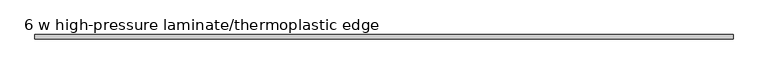
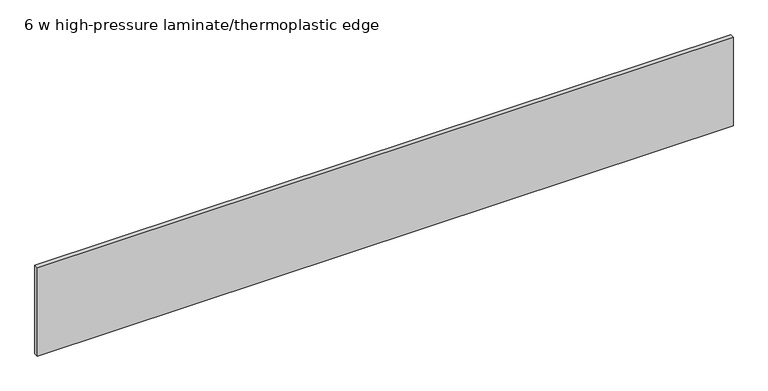
"""IFC4 building model written with IfcOpenShell, lengths in millimetres: furniture geometry, 6 w high-pressure laminate/thermoplastic edge."""

from ifc_helpers import new_model, si_unit, origin, origin_with_axes, place, context, project, spatial, polyline, outline, extrude, source, transform, mapped, element, save


def furniture_6_w_high_pressure_laminate_thermoplastic_edge_d726e724(model_context):
    return source(origin(), model_context, "Body", "SweptSolid", [
        extrude(outline(polyline([(0.5999988, 0.0), (0.5999988, 10.9999997), (1828.2000366, 10.9999997), (1828.2000366, 0.0), (0.5999988, 0.0)])), origin_with_axes(), (0.0, 0.0, 1.0), 245.349995),
    ])


if __name__ == "__main__":
    model = new_model("IFC4")
    model_context = context("Model", 3, world=origin())
    ifc_project = project(units=[si_unit("LENGTHUNIT", "METRE", prefix="MILLI")], contexts=[model_context])
    site = spatial("IfcSite", under=ifc_project)
    building = spatial("IfcBuilding", under=site)
    placement = place(None, origin())
    furniture_6_w_high_pressure_laminate_thermoplastic_edge_shape = furniture_6_w_high_pressure_laminate_thermoplastic_edge_d726e724(model_context)
    element("IfcFurniture", 1, ObjectType="6 w high-pressure laminate/thermoplastic edge", at=placement, inside=building, context=model_context, shape_type="MappedRepresentation", body=[
        mapped(furniture_6_w_high_pressure_laminate_thermoplastic_edge_shape, transform((0.0, 0.0, 0.0), x_axis=(1.0, 0.0, 0.0), y_axis=(0.0, 1.0, 0.0), z_axis=(0.0, 0.0, 1.0))),
    ])
    save(model, "model.ifc")
